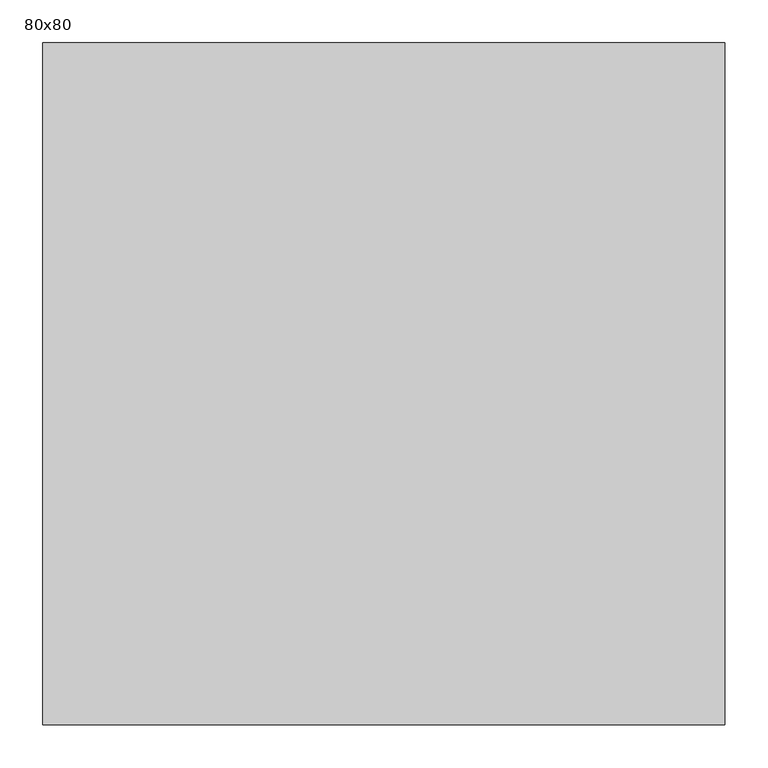
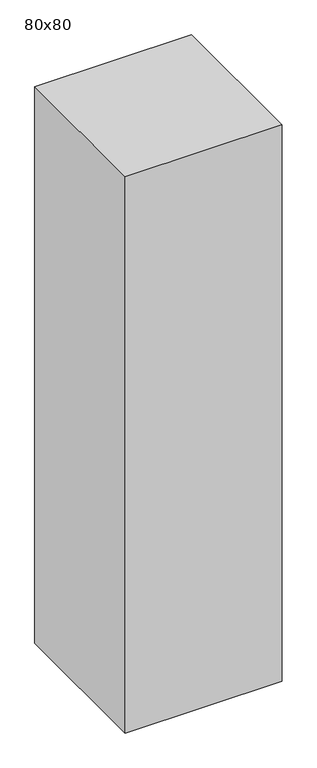
"""IFC4 building model written with IfcOpenShell, lengths in millimetres: proxy geometry, 80x80."""

from ifc_helpers import new_model, si_unit, origin, origin_with_axes, place, context, project, spatial, polyline, outline, extrude, source, transform, mapped, element, save


def proxy_80x80_87e0e86b(model_context):
    return source(origin(), model_context, "Body", "SweptSolid", [
        extrude(outline(polyline([(2607.3826163, -700.0), (3407.3826163, -700.0), (3407.3826163, -1500.0), (2607.3826163, -1500.0), (2607.3826163, -700.0)])), origin_with_axes(), (0.0, 0.0, 1.0), 3000.0),
    ])


if __name__ == "__main__":
    model = new_model("IFC4")
    model_context = context("Model", 3, world=origin())
    ifc_project = project(units=[si_unit("LENGTHUNIT", "METRE", prefix="MILLI")], contexts=[model_context])
    site = spatial("IfcSite", under=ifc_project)
    building = spatial("IfcBuilding", under=site)
    placement = place(None, origin())
    proxy_80x80_shape = proxy_80x80_87e0e86b(model_context)
    element("IfcBuildingElementProxy", 1, Name="80x80", ObjectType="80x80", at=placement, inside=building, context=model_context, shape_type="MappedRepresentation", body=[
        mapped(proxy_80x80_shape, transform((0.0, 0.0, 0.0), x_axis=(1.0, 0.0, 0.0), y_axis=(0.0, 1.0, 0.0), z_axis=(0.0, 0.0, 1.0))),
    ])
    save(model, "model.ifc")
